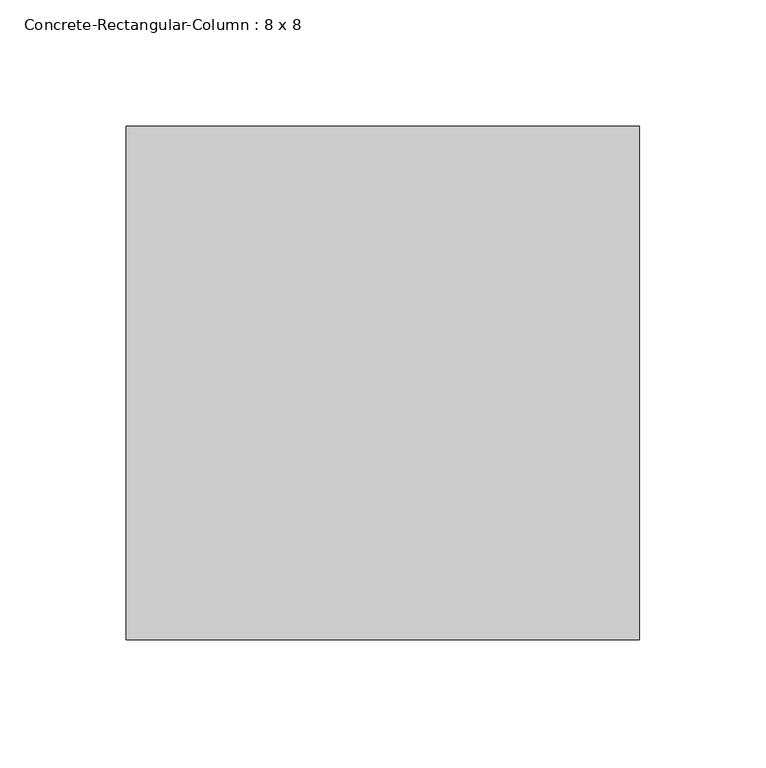
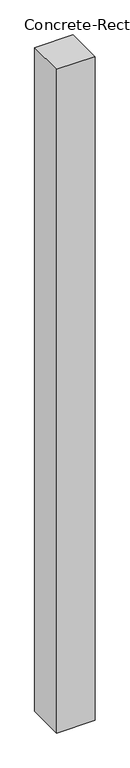
"""IFC4 building model written with IfcOpenShell, lengths in millimetres: column geometry, Concrete-Rectangular-Column : 8 x 8."""

from ifc_helpers import new_model, si_unit, frame, origin, place, context, project, spatial, polyline, outline, extrude, source, transform, mapped, element, save


def concrete_rectangular_column_8_x_8_1f3a0256(model_context):
    return source(origin(), model_context, "Body", "SweptSolid", [
        extrude(outline(polyline([(101.6, 101.6), (101.6, -101.6), (-101.6, -101.6), (-101.6, 101.6), (101.6, 101.6)])), frame((0.0, 0.0, 3810.0), z_axis=(0.0, 0.0, 1.0), x_axis=(1.0, 0.0, 0.0)), (0.0, 0.0, 1.0), 3733.8),
    ])


if __name__ == "__main__":
    model = new_model("IFC4")
    model_context = context("Model", 3, world=origin())
    ifc_project = project(units=[si_unit("LENGTHUNIT", "METRE", prefix="MILLI")], contexts=[model_context])
    site = spatial("IfcSite", under=ifc_project)
    building = spatial("IfcBuilding", under=site)
    placement = place(None, origin())
    concrete_rectangular_column_8_x_8_shape = concrete_rectangular_column_8_x_8_1f3a0256(model_context)
    element("IfcColumn", 1, ObjectType="Concrete-Rectangular-Column : 8 x 8", at=placement, inside=building, context=model_context, shape_type="MappedRepresentation", body=[
        mapped(concrete_rectangular_column_8_x_8_shape, transform((0.0, 0.0, 0.0), x_axis=(1.0, 0.0, 0.0), y_axis=(0.0, 1.0, 0.0), z_axis=(0.0, 0.0, 1.0))),
    ])
    save(model, "model.ifc")
